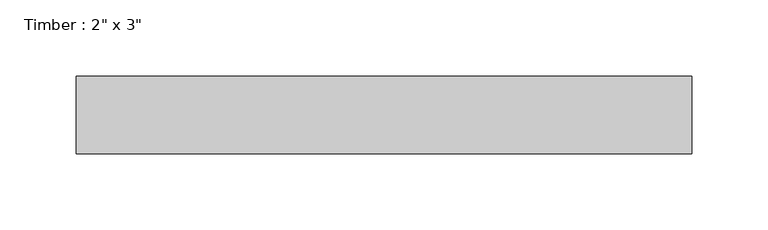
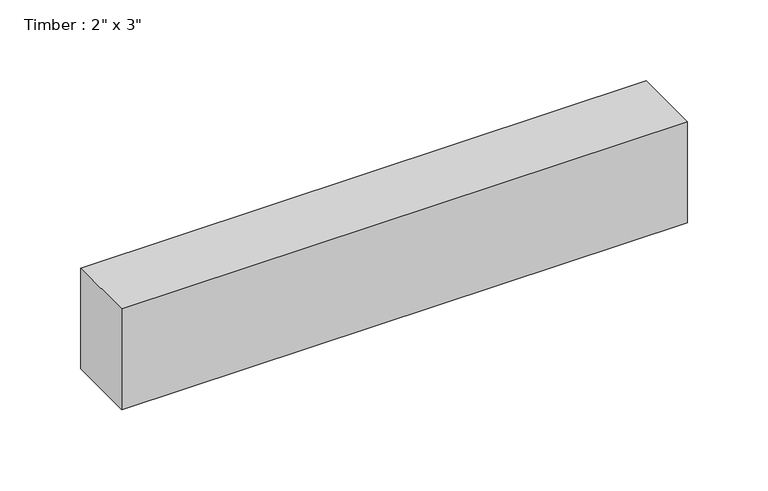
"""IFC4 building model written with IfcOpenShell, lengths in millimetres: beam geometry."""

from ifc_helpers import new_model, si_unit, frame, origin, place, context, project, spatial, polyline, outline, extrude, source, transform, mapped, element, save


def beam_26bdae83(model_context):
    return source(origin(), model_context, "Body", "SweptSolid", [
        extrude(outline(polyline([(201.8987758, -25.4), (-201.8987758, -25.4), (-201.8987758, 25.4), (201.8987758, 25.4), (201.8987758, -25.4)])), frame((0.0, 0.0, -38.1), z_axis=(0.0, 0.0, 1.0), x_axis=(1.0, 0.0, 0.0)), (0.0, 0.0, 1.0), 76.2),
    ])


if __name__ == "__main__":
    model = new_model("IFC4")
    model_context = context("Model", 3, world=origin())
    ifc_project = project(units=[si_unit("LENGTHUNIT", "METRE", prefix="MILLI")], contexts=[model_context])
    site = spatial("IfcSite", under=ifc_project)
    building = spatial("IfcBuilding", under=site)
    placement = place(None, origin())
    beam_shape = beam_26bdae83(model_context)
    element("IfcBeam", 1, ObjectType="Timber : 2\" x 3\"", at=placement, inside=building, context=model_context, shape_type="MappedRepresentation", body=[
        mapped(beam_shape, transform((0.0, 0.0, 0.0), x_axis=(1.0, 0.0, 0.0), y_axis=(0.0, 1.0, 0.0), z_axis=(0.0, 0.0, 1.0))),
    ])
    save(model, "model.ifc")
